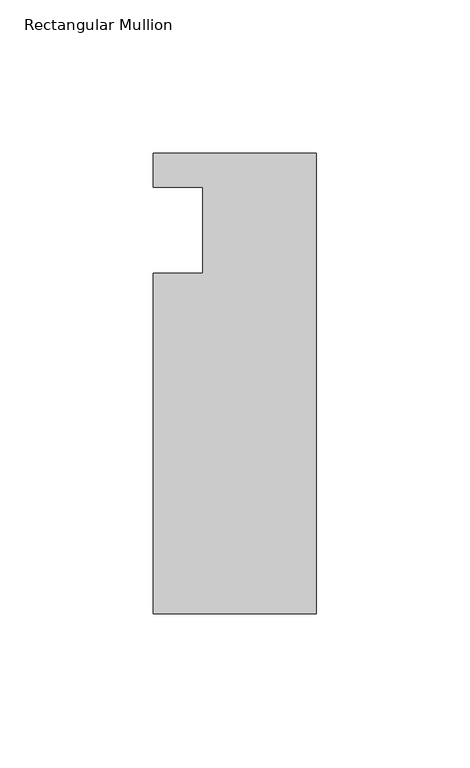
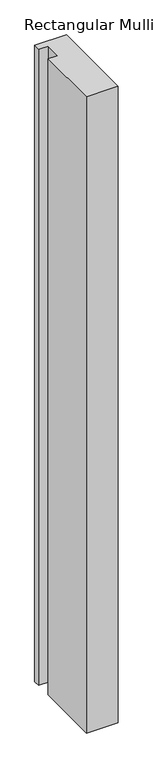
"""IFC4 building model written with IfcOpenShell, lengths in millimetres: member geometry, Rectangular Mullion."""

from ifc_helpers import new_model, si_unit, frame, origin, place, context, project, spatial, polyline, outline, extrude, source, transform, mapped, element, save


def rectangular_mullion_5ba34d84(model_context):
    return source(origin(), model_context, "Body", "SweptSolid", [
        extrude(outline(polyline([(0.0, 25.0), (0.0, -125.0), (-53.0, -125.0), (-53.0, -14.0), (-37.0, -14.0), (-37.0, 14.0), (-53.0, 14.0), (-53.0, 25.0), (0.0, 25.0)])), frame((0.0, 0.0, -1124.0099627), z_axis=(0.0, 0.0, 1.0), x_axis=(1.0, 0.0, 0.0)), (0.0, 0.0, 1.0), 1124.0099627),
    ])


if __name__ == "__main__":
    model = new_model("IFC4")
    model_context = context("Model", 3, world=origin())
    ifc_project = project(units=[si_unit("LENGTHUNIT", "METRE", prefix="MILLI")], contexts=[model_context])
    site = spatial("IfcSite", under=ifc_project)
    building = spatial("IfcBuilding", under=site)
    placement = place(None, origin())
    rectangular_mullion_shape = rectangular_mullion_5ba34d84(model_context)
    element("IfcMember", 1, ObjectType="Rectangular Mullion", at=placement, inside=building, context=model_context, shape_type="MappedRepresentation", body=[
        mapped(rectangular_mullion_shape, transform((0.0, 0.0, 0.0), x_axis=(1.0, 0.0, 0.0), y_axis=(0.0, 1.0, 0.0), z_axis=(0.0, 0.0, 1.0))),
    ])
    save(model, "model.ifc")
